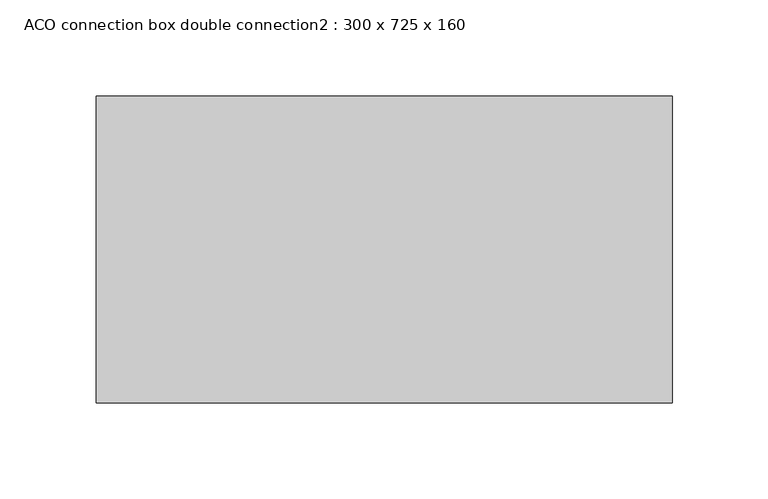
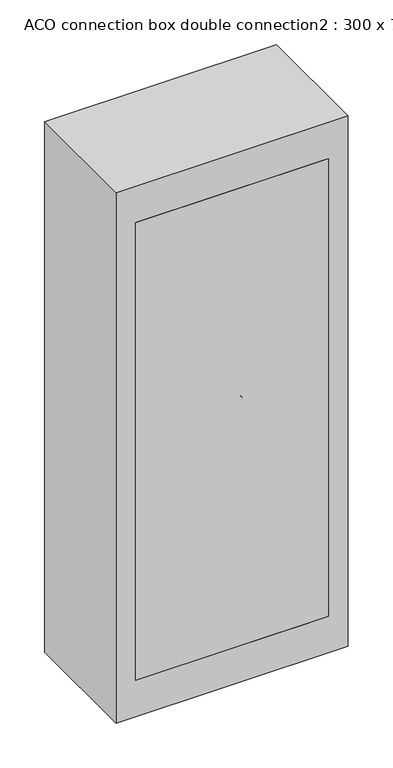
"""IFC4 building model written with IfcOpenShell, lengths in millimetres: furniture geometry, ACO connection box double connection2 : 300 x 725 x 160."""

from ifc_helpers import new_model, si_unit, point, frame, frame_2d, origin, place, context, project, spatial, polyline, circle_curve, trimmed, segment, composite_curve, outline, extrude, source, transform, mapped, element, save
from ifc_brep_helpers import plane_surface, cylinder_surface, revolved_surface, advanced_brep


def aco_connection_box_double_connection2_300_x_725_x_160_cc6d1901(model_context):
    return source(origin(), model_context, "Body", "SolidModel", [
        extrude(outline(composite_curve([segment(trimmed(circle_curve(frame_2d((325.0, 0.0)), 25.0), [point((300.0, 0.0))], [point((350.0, 0.0))], False, "CARTESIAN"), True, "CONTINUOUS"), segment(trimmed(circle_curve(frame_2d((325.0, 0.0)), 25.0), [point((350.0, 0.0))], [point((300.0, 0.0))], False, "CARTESIAN"), True, "CONTINUOUS")], self_intersect=False)), frame((0.0, 148.0, 0.0), z_axis=(0.0, 1.0, 0.0), x_axis=(0.0, 0.0, 1.0)), (0.0, 0.0, 1.0), 12.0),
        advanced_brep(
        [(0.0, 148.0, 277.0), (0.0, 148.0, 373.0), (0.0, 40.0, 277.0), (0.0, 40.0, 373.0), (0.0, 118.0, 373.0), (0.0, 118.0, 277.0), (0.0, 70.0, 277.0), (0.0, 70.0, 373.0), (0.0, 118.0, 250.0), (0.0, 118.0, 400.0), (0.0, 70.0, 250.0), (0.0, 70.0, 400.0)],
        [
            (0, 1, circle_curve(frame((0.0, 148.0, 325.0), z_axis=(0.0, 1.0, 0.0), x_axis=(0.0, 0.0, 1.0)), 48.0)),
            (1, 0, circle_curve(frame((0.0, 148.0, 325.0), z_axis=(0.0, 1.0, 0.0), x_axis=(0.0, 0.0, 1.0)), 48.0)),
            (2, 3, circle_curve(frame((0.0, 40.0, 325.0), z_axis=(0.0, -1.0, 0.0), x_axis=(0.0, 0.0, 1.0)), 48.0)),
            (3, 2, circle_curve(frame((0.0, 40.0, 325.0), z_axis=(0.0, -1.0, 0.0), x_axis=(0.0, 0.0, 1.0)), 48.0)),
            (1, 4),
            (4, 5, circle_curve(frame((0.0, 118.0, 325.0), z_axis=(0.0, 1.0, 0.0), x_axis=(0.0, 0.0, 1.0)), 48.0)),
            (5, 0),
            (2, 6),
            (6, 7, circle_curve(frame((0.0, 70.0, 325.0), z_axis=(0.0, -1.0, 0.0), x_axis=(0.0, 0.0, 1.0)), 48.0)),
            (7, 3),
            (5, 4, circle_curve(frame((0.0, 118.0, 325.0), z_axis=(0.0, 1.0, 0.0), x_axis=(0.0, 0.0, 1.0)), 48.0)),
            (7, 6, circle_curve(frame((0.0, 70.0, 325.0), z_axis=(0.0, -1.0, 0.0), x_axis=(0.0, 0.0, 1.0)), 48.0)),
            (8, 9, circle_curve(frame((0.0, 118.0, 325.0), z_axis=(0.0, 1.0, 0.0), x_axis=(0.0, 0.0, 1.0)), 75.0)),
            (9, 8, circle_curve(frame((0.0, 118.0, 325.0), z_axis=(0.0, 1.0, 0.0), x_axis=(0.0, 0.0, 1.0)), 75.0)),
            (10, 11, circle_curve(frame((0.0, 70.0, 325.0), z_axis=(0.0, -1.0, 0.0), x_axis=(0.0, 0.0, 1.0)), 75.0)),
            (11, 10, circle_curve(frame((0.0, 70.0, 325.0), z_axis=(0.0, -1.0, 0.0), x_axis=(0.0, 0.0, 1.0)), 75.0)),
            (9, 11),
            (10, 8),
        ],
        [
            plane_surface(frame((0.0, 148.0, 373.0), z_axis=(0.0, 1.0, 0.0), x_axis=(1.0, 0.0, 0.0))),
            plane_surface(frame((0.0, 40.0, 373.0), z_axis=(0.0, -1.0, 0.0), x_axis=(-1.0, 0.0, 0.0))),
            cylinder_surface(frame((0.0, 148.0, 325.0), z_axis=(0.0, -1.0, 0.0), x_axis=(0.0, 0.0, 1.0)), 48.0),
            plane_surface(frame((0.0, 118.0, 400.0), z_axis=(0.0, 1.0, 0.0), x_axis=(1.0, 0.0, 0.0))),
            plane_surface(frame((0.0, 70.0, 400.0), z_axis=(0.0, -1.0, 0.0), x_axis=(-1.0, 0.0, 0.0))),
            cylinder_surface(frame((0.0, 118.0, 325.0), z_axis=(0.0, -1.0, 0.0), x_axis=(0.0, 0.0, 1.0)), 75.0),
        ],
        [
            (0, [[1, 2]]),
            (1, [[3, 4]]),
            (2, [[-2, 5, 6, 7]]),
            (2, [[-3, 8, 9, 10]]),
            (2, [[-1, -7, 11, -5]]),
            (2, [[-4, -10, 12, -8]]),
            (3, [[13, 14], [-6, -11]]),
            (4, [[15, 16], [-9, -12]]),
            (5, [[-14, 17, -15, 18]]),
            (5, [[-13, -18, -16, -17]]),
        ],
    ),
        extrude(outline(composite_curve([segment(trimmed(circle_curve(frame_2d((150.0, 0.0)), 25.0), [point((125.0, 0.0))], [point((175.0, 0.0))], False, "CARTESIAN"), True, "CONTINUOUS"), segment(trimmed(circle_curve(frame_2d((150.0, 0.0)), 25.0), [point((175.0, 0.0))], [point((125.0, 0.0))], False, "CARTESIAN"), True, "CONTINUOUS")], self_intersect=False)), frame((0.0, 148.0, 0.0), z_axis=(0.0, 1.0, 0.0), x_axis=(0.0, 0.0, 1.0)), (0.0, 0.0, 1.0), 12.0),
        advanced_brep(
        [(0.0, 148.0, 102.0), (0.0, 148.0, 198.0), (0.0, 40.0, 102.0), (0.0, 40.0, 198.0), (0.0, 118.0, 198.0), (0.0, 118.0, 102.0), (0.0, 70.0, 102.0), (0.0, 70.0, 198.0), (0.0, 118.0, 75.0), (0.0, 118.0, 225.0), (0.0, 70.0, 75.0), (0.0, 70.0, 225.0)],
        [
            (0, 1, circle_curve(frame((0.0, 148.0, 150.0), z_axis=(0.0, 1.0, 0.0), x_axis=(0.0, 0.0, 1.0)), 48.0)),
            (1, 0, circle_curve(frame((0.0, 148.0, 150.0), z_axis=(0.0, 1.0, 0.0), x_axis=(0.0, 0.0, 1.0)), 48.0)),
            (2, 3, circle_curve(frame((0.0, 40.0, 150.0), z_axis=(0.0, -1.0, 0.0), x_axis=(0.0, 0.0, 1.0)), 48.0)),
            (3, 2, circle_curve(frame((0.0, 40.0, 150.0), z_axis=(0.0, -1.0, 0.0), x_axis=(0.0, 0.0, 1.0)), 48.0)),
            (1, 4),
            (4, 5, circle_curve(frame((0.0, 118.0, 150.0), z_axis=(0.0, 1.0, 0.0), x_axis=(0.0, 0.0, 1.0)), 48.0)),
            (5, 0),
            (2, 6),
            (6, 7, circle_curve(frame((0.0, 70.0, 150.0), z_axis=(0.0, -1.0, 0.0), x_axis=(0.0, 0.0, 1.0)), 48.0)),
            (7, 3),
            (5, 4, circle_curve(frame((0.0, 118.0, 150.0), z_axis=(0.0, 1.0, 0.0), x_axis=(0.0, 0.0, 1.0)), 48.0)),
            (7, 6, circle_curve(frame((0.0, 70.0, 150.0), z_axis=(0.0, -1.0, 0.0), x_axis=(0.0, 0.0, 1.0)), 48.0)),
            (8, 9, circle_curve(frame((0.0, 118.0, 150.0), z_axis=(0.0, 1.0, 0.0), x_axis=(0.0, 0.0, 1.0)), 75.0)),
            (9, 8, circle_curve(frame((0.0, 118.0, 150.0), z_axis=(0.0, 1.0, 0.0), x_axis=(0.0, 0.0, 1.0)), 75.0)),
            (10, 11, circle_curve(frame((0.0, 70.0, 150.0), z_axis=(0.0, -1.0, 0.0), x_axis=(0.0, 0.0, 1.0)), 75.0)),
            (11, 10, circle_curve(frame((0.0, 70.0, 150.0), z_axis=(0.0, -1.0, 0.0), x_axis=(0.0, 0.0, 1.0)), 75.0)),
            (9, 11),
            (10, 8),
        ],
        [
            plane_surface(frame((0.0, 148.0, 198.0), z_axis=(0.0, 1.0, 0.0), x_axis=(1.0, 0.0, 0.0))),
            plane_surface(frame((0.0, 40.0, 198.0), z_axis=(0.0, -1.0, 0.0), x_axis=(-1.0, 0.0, 0.0))),
            cylinder_surface(frame((0.0, 148.0, 150.0), z_axis=(0.0, -1.0, 0.0), x_axis=(0.0, 0.0, 1.0)), 48.0),
            plane_surface(frame((0.0, 118.0, 225.0), z_axis=(0.0, 1.0, 0.0), x_axis=(1.0, 0.0, 0.0))),
            plane_surface(frame((0.0, 70.0, 225.0), z_axis=(0.0, -1.0, 0.0), x_axis=(-1.0, 0.0, 0.0))),
            cylinder_surface(frame((0.0, 118.0, 150.0), z_axis=(0.0, -1.0, 0.0), x_axis=(0.0, 0.0, 1.0)), 75.0),
        ],
        [
            (0, [[1, 2]]),
            (1, [[3, 4]]),
            (2, [[-2, 5, 6, 7]]),
            (2, [[-3, 8, 9, 10]]),
            (2, [[-1, -7, 11, -5]]),
            (2, [[-4, -10, 12, -8]]),
            (3, [[13, 14], [-6, -11]]),
            (4, [[15, 16], [-9, -12]]),
            (5, [[-14, 17, -15, 18]]),
            (5, [[-13, -18, -16, -17]]),
        ],
    ),
        extrude(outline(polyline([(124.5, 0.0), (-124.5, 0.0), (-124.5, 50.0), (124.5, 50.0), (124.5, 0.0)])), frame((0.0, 0.0, 50.0), z_axis=(0.0, 0.0, 1.0), x_axis=(1.0, 0.0, 0.0)), (0.0, 0.0, 1.0), 625.0),
        advanced_brep(
        [(150.0, 160.0, 725.0), (-150.0, 160.0, 725.0), (-150.0, 0.0, 725.0), (150.0, 0.0, 725.0), (150.0, 160.0, 0.0), (150.0, 0.0, 0.0), (-150.0, 0.0, 0.0), (-150.0, 160.0, 0.0), (-40.0, 160.0, 150.0), (40.0, 160.0, 150.0), (-40.0, 160.0, 325.0), (40.0, 160.0, 325.0), (-100.0, 0.0, 675.0), (100.0, 0.0, 675.0), (100.0, 0.0, 50.0), (-100.0, 0.0, 50.0), (148.0, 158.0, 675.0), (148.0, 2.0, 675.0), (100.0, 2.0, 675.0), (-100.0, 2.0, 675.0), (-148.0, 2.0, 675.0), (-148.0, 158.0, 675.0), (148.0, 158.0, 50.0), (-148.0, 158.0, 50.0), (-148.0, 2.0, 50.0), (-100.0, 2.0, 50.0), (100.0, 2.0, 50.0), (148.0, 2.0, 50.0), (40.0, 158.0, 150.0), (-40.0, 158.0, 150.0), (40.0, 158.0, 325.0), (-40.0, 158.0, 325.0)],
        [
            (0, 1),
            (1, 2),
            (2, 3),
            (3, 0),
            (4, 5),
            (5, 6),
            (6, 7),
            (7, 4),
            (0, 4),
            (7, 1),
            (8, 9, circle_curve(frame((0.0, 160.0, 150.0), z_axis=(0.0, -1.0, 0.0), x_axis=(1.0, 0.0, 0.0)), 40.0)),
            (9, 8, circle_curve(frame((0.0, 160.0, 150.0), z_axis=(0.0, -1.0, 0.0), x_axis=(1.0, 0.0, 0.0)), 40.0)),
            (10, 11, circle_curve(frame((0.0, 160.0, 325.0), z_axis=(0.0, -1.0, 0.0), x_axis=(1.0, 0.0, 0.0)), 40.0)),
            (11, 10, circle_curve(frame((0.0, 160.0, 325.0), z_axis=(0.0, -1.0, 0.0), x_axis=(1.0, 0.0, 0.0)), 40.0)),
            (6, 2),
            (5, 3),
            (12, 13),
            (13, 14),
            (14, 15),
            (15, 12),
            (16, 17),
            (17, 18),
            (18, 13),
            (12, 19),
            (19, 20),
            (20, 21),
            (21, 16),
            (22, 23),
            (23, 24),
            (24, 25),
            (25, 15),
            (14, 26),
            (26, 27),
            (27, 22),
            (21, 23),
            (22, 16),
            (28, 29, circle_curve(frame((0.0, 158.0, 150.0), z_axis=(0.0, 1.0, 0.0), x_axis=(1.0, 0.0, 0.0)), 40.0)),
            (29, 28, circle_curve(frame((0.0, 158.0, 150.0), z_axis=(0.0, 1.0, 0.0), x_axis=(1.0, 0.0, 0.0)), 40.0)),
            (30, 31, circle_curve(frame((0.0, 158.0, 325.0), z_axis=(0.0, 1.0, 0.0), x_axis=(1.0, 0.0, 0.0)), 40.0)),
            (31, 30, circle_curve(frame((0.0, 158.0, 325.0), z_axis=(0.0, 1.0, 0.0), x_axis=(1.0, 0.0, 0.0)), 40.0)),
            (27, 17),
            (20, 24),
            (19, 25),
            (18, 26),
            (28, 9),
            (8, 29),
            (30, 11),
            (10, 31),
        ],
        [
            plane_surface(frame((-150.0, 160.0, 725.0), z_axis=(0.0, 0.0, 1.0), x_axis=(-1.0, 0.0, 0.0))),
            plane_surface(frame((-150.0, 160.0, 0.0), z_axis=(0.0, 0.0, -1.0), x_axis=(1.0, 0.0, 0.0))),
            plane_surface(frame((150.0, 160.0, 725.0), z_axis=(0.0, 1.0, 0.0), x_axis=(0.0, 0.0, -1.0))),
            plane_surface(frame((-150.0, 160.0, 725.0), z_axis=(-1.0, 0.0, 0.0), x_axis=(0.0, 0.0, -1.0))),
            plane_surface(frame((-150.0, 0.0, 725.0), z_axis=(0.0, -1.0, 0.0), x_axis=(0.0, 0.0, -1.0))),
            plane_surface(frame((150.0, 0.0, 725.0), z_axis=(1.0, 0.0, 0.0), x_axis=(0.0, 0.0, -1.0))),
            plane_surface(frame((-148.0, 158.0, 675.0), z_axis=(0.0, 0.0, -1.0), x_axis=(-1.0, 0.0, 0.0))),
            plane_surface(frame((-148.0, 158.0, 50.0), z_axis=(0.0, 0.0, 1.0), x_axis=(1.0, 0.0, 0.0))),
            plane_surface(frame((148.0, 158.0, 675.0), z_axis=(0.0, -1.0, 0.0), x_axis=(0.0, 0.0, -1.0))),
            plane_surface(frame((148.0, 2.0, 675.0), z_axis=(-1.0, 0.0, 0.0), x_axis=(0.0, 0.0, -1.0))),
            plane_surface(frame((-148.0, 158.0, 675.0), z_axis=(1.0, 0.0, 0.0), x_axis=(0.0, 0.0, -1.0))),
            plane_surface(frame((-148.0, 2.0, 675.0), z_axis=(0.0, 1.0, 0.0), x_axis=(0.0, 0.0, -1.0))),
            plane_surface(frame((-100.0, 2.0, 675.0), z_axis=(1.0, 0.0, 0.0), x_axis=(0.0, 0.0, -1.0))),
            plane_surface(frame((100.0, 0.0, 675.0), z_axis=(-1.0, 0.0, 0.0), x_axis=(0.0, 0.0, -1.0))),
            plane_surface(frame((100.0, 2.0, 675.0), z_axis=(0.0, 1.0, 0.0), x_axis=(0.0, 0.0, -1.0))),
            revolved_surface(polyline([(40.0, 158.0, 150.0), (40.0, 160.0, 150.0)]), (0.0, 160.0, 150.0), (0.0, -1.0, 0.0)),
            revolved_surface(polyline([(40.0, 158.0, 325.0), (40.0, 160.0, 325.0)]), (0.0, 160.0, 325.0), (0.0, -1.0, 0.0)),
        ],
        [
            (0, [[1, 2, 3, 4]]),
            (1, [[5, 6, 7, 8]]),
            (2, [[-1, 9, -8, 10], [11, 12], [13, 14]]),
            (3, [[-2, -10, -7, 15]]),
            (4, [[-3, -15, -6, 16], [17, 18, 19, 20]]),
            (5, [[-4, -16, -5, -9]]),
            (6, [[21, 22, 23, -17, 24, 25, 26, 27]]),
            (7, [[28, 29, 30, 31, -19, 32, 33, 34]]),
            (8, [[-27, 35, -28, 36], [37, 38], [39, 40]]),
            (9, [[-21, -36, -34, 41]]),
            (10, [[-26, 42, -29, -35]]),
            (11, [[-25, 43, -30, -42]]),
            (12, [[-24, -20, -31, -43]]),
            (13, [[-23, 44, -32, -18]]),
            (14, [[-22, -41, -33, -44]]),
            (15, [[45, -11, 46, -37]]),
            (15, [[-45, -38, -46, -12]]),
            (16, [[47, -13, 48, -39]]),
            (16, [[-47, -40, -48, -14]]),
        ],
    ),
    ])


if __name__ == "__main__":
    model = new_model("IFC4")
    model_context = context("Model", 3, world=origin())
    ifc_project = project(units=[si_unit("LENGTHUNIT", "METRE", prefix="MILLI")], contexts=[model_context])
    site = spatial("IfcSite", under=ifc_project)
    building = spatial("IfcBuilding", under=site)
    placement = place(None, origin())
    aco_connection_box_double_connection2_300_x_725_x_160_shape = aco_connection_box_double_connection2_300_x_725_x_160_cc6d1901(model_context)
    element("IfcFurniture", 1, ObjectType="ACO connection box double connection2 : 300 x 725 x 160", at=placement, inside=building, context=model_context, shape_type="MappedRepresentation", body=[
        mapped(aco_connection_box_double_connection2_300_x_725_x_160_shape, transform((0.0, 0.0, 0.0), x_axis=(1.0, 0.0, 0.0), y_axis=(0.0, 1.0, 0.0), z_axis=(0.0, 0.0, 1.0))),
    ])
    save(model, "model.ifc")
